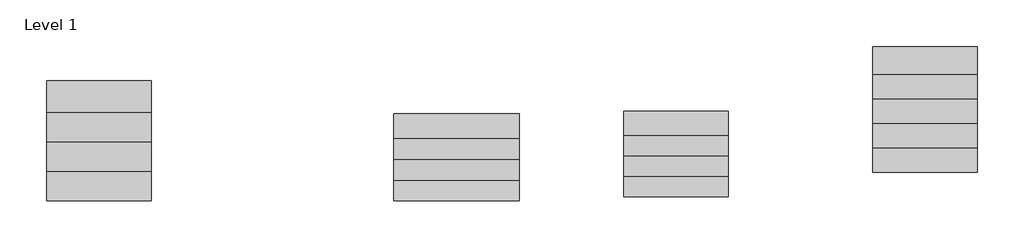
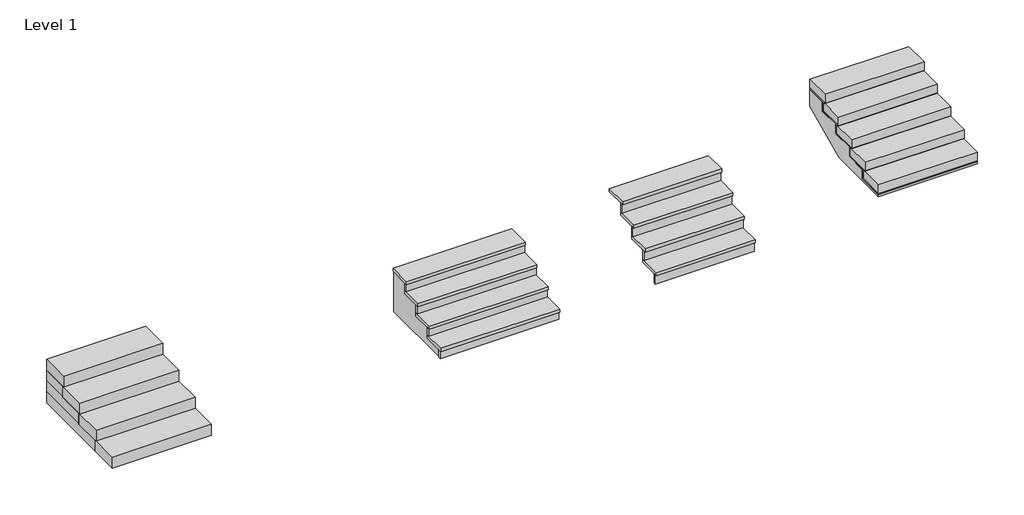
# One storey: 21 proxies, 3 stairs.
"""IFC4 building model written with IfcOpenShell, lengths in millimetres."""

import ifcopenshell
import ifcopenshell.guid

model = None  # the IFC model being written
_history = None  # IfcOwnerHistory: only IFC2X3 demands one
_inside = {}  # id of a spatial element -> (the spatial element, [elements in it])
_under = {}  # id of a project, library or spatial element -> (it, [spatial elements below it])
_declared = {}  # id of a project -> (the project, [libraries it declares])
_typed = {}  # id of a type object -> (the type object, [elements of that type])
_made_of = {}  # id of a material, layer set ... -> (it, [elements and type objects made of it])


def new_model(schema):
    """Start an empty IFC model of exactly this schema.

    Asked for "IFC4X3", IfcOpenShell would pick the latest addendum, in which some entities
    have other attributes; the version numbers below select the first issue.
    IFC2X3 requires an IfcOwnerHistory on every rooted entity: one is made here for all.
    """
    global model, _history
    if schema == "IFC4X3":
        model = ifcopenshell.file(schema_version=(4, 3, 0, 0))
    else:
        model = ifcopenshell.file(schema=schema)
    _inside.clear()
    _under.clear()
    _declared.clear()
    _typed.clear()
    _made_of.clear()
    _history = None
    if model.schema == "IFC2X3":
        org = make("IfcOrganization", Name="unknown")
        user = make(
            "IfcPersonAndOrganization",
            ThePerson=make("IfcPerson", FamilyName="unknown"),
            TheOrganization=org,
        )
        app = make(
            "IfcApplication",
            ApplicationDeveloper=org,
            Version="unknown",
            ApplicationFullName="unknown",
            ApplicationIdentifier="unknown",
        )
        _history = make(
            "IfcOwnerHistory",
            OwningUser=user,
            OwningApplication=app,
            ChangeAction="ADDED",
            CreationDate=0,
        )
    return model


def make(cls, **values):
    """One entity of the class cls with the attributes given. An attribute that is None is left unset."""
    return model.create_entity(
        cls, **{name: value for name, value in values.items() if value is not None}
    )


def rooted(cls, **values):
    """An entity with a GlobalId (a new one), such as an element, a storey or a relation."""
    return make(cls, GlobalId=ifcopenshell.guid.new(), OwnerHistory=_history, **values)


def si_unit(unit_type, name, prefix=None):
    """IfcSIUnit, for example si_unit("LENGTHUNIT", "METRE", prefix="MILLI")."""
    return make("IfcSIUnit", UnitType=unit_type, Prefix=prefix, Name=name)


def assignment(units):
    """IfcUnitAssignment: the units of a project."""
    return None if units is None else make("IfcUnitAssignment", Units=units)


def point(xyz):
    """IfcCartesianPoint."""
    return None if xyz is None else make("IfcCartesianPoint", Coordinates=xyz)


def direction(xyz):
    """IfcDirection."""
    return None if xyz is None else make("IfcDirection", DirectionRatios=xyz)


def frame(location, z_axis=None, x_axis=None):
    """IfcAxis2Placement3D, a coordinate frame: its origin and axes. An axis left out is left unset."""
    return make(
        "IfcAxis2Placement3D",
        Location=point(location),
        Axis=direction(z_axis),
        RefDirection=direction(x_axis),
    )


def origin():
    """The frame at (0, 0, 0) with its axes left unset."""
    return frame((0.0, 0.0, 0.0))


def origin_with_axes():
    """The frame at (0, 0, 0) with the z axis (0, 0, 1) and the x axis (1, 0, 0) written out."""
    return frame((0.0, 0.0, 0.0), z_axis=(0.0, 0.0, 1.0), x_axis=(1.0, 0.0, 0.0))


def place(relative_to, where):
    """IfcLocalPlacement: puts the frame where relative to a parent placement (None: the world)."""
    return make(
        "IfcLocalPlacement", PlacementRelTo=relative_to, RelativePlacement=where
    )


def context(
    kind, dimensions, precision=None, world=None, true_north=None, identifier=None
):
    """IfcGeometricRepresentationContext, for example the 3D "Model" context."""
    return make(
        "IfcGeometricRepresentationContext",
        ContextIdentifier=identifier,
        ContextType=kind,
        CoordinateSpaceDimension=dimensions,
        Precision=precision,
        WorldCoordinateSystem=world,
        TrueNorth=true_north,
    )


def project(units=None, contexts=None):
    """IfcProject with its units and contexts."""
    return rooted(
        "IfcProject",
        Name="project",
        RepresentationContexts=contexts,
        UnitsInContext=assignment(units),
    )


def spatial(cls, under=None, at=None, **own):
    """A site, building, storey or space (cls), placed at a placement, below another one or the project."""
    s = rooted(cls, ObjectPlacement=at, **own)
    if under is not None:
        _under.setdefault(under.id(), (under, []))[1].append(s)
    return s


def polyline(points):
    """IfcPolyline through the points."""
    return make("IfcPolyline", Points=[point(p) for p in points])


def outline(outer, holes=None, kind="AREA"):
    """IfcArbitraryClosedProfileDef: a profile drawn as a closed curve; with holes, ...WithVoids."""
    if holes is None:
        return make("IfcArbitraryClosedProfileDef", ProfileType=kind, OuterCurve=outer)
    return make(
        "IfcArbitraryProfileDefWithVoids",
        ProfileType=kind,
        OuterCurve=outer,
        InnerCurves=holes,
    )


def extrude(swept, where, along, depth):
    """IfcExtrudedAreaSolid: the profile swept, set in the frame where, extruded along a direction by depth."""
    return make(
        "IfcExtrudedAreaSolid",
        SweptArea=swept,
        Position=where,
        ExtrudedDirection=direction(along),
        Depth=depth,
    )


def shape(context_of_items, identifier, shape_type, items):
    """IfcShapeRepresentation: the items that make up one representation, for example the "Body"."""
    return make(
        "IfcShapeRepresentation",
        ContextOfItems=context_of_items,
        RepresentationIdentifier=identifier,
        RepresentationType=shape_type,
        Items=items,
    )


def source(mapping_origin, context_of_items, identifier, shape_type, items):
    """IfcRepresentationMap: a shape defined once, which mapped items show again and again."""
    return make(
        "IfcRepresentationMap",
        MappingOrigin=mapping_origin,
        MappedRepresentation=shape(context_of_items, identifier, shape_type, items),
    )


def transform(
    local_origin,
    x_axis=None,
    y_axis=None,
    z_axis=None,
    scale=None,
    scale2=None,
    scale3=None,
    uniform=True,
):
    """IfcCartesianTransformationOperator3D, or its non-uniform kind. x_axis, y_axis, z_axis: its Axis1, 2, 3."""
    if uniform:
        return make(
            "IfcCartesianTransformationOperator3D",
            Axis1=direction(x_axis),
            Axis2=direction(y_axis),
            LocalOrigin=point(local_origin),
            Scale=scale,
            Axis3=direction(z_axis),
        )
    return make(
        "IfcCartesianTransformationOperator3DnonUniform",
        Axis1=direction(x_axis),
        Axis2=direction(y_axis),
        LocalOrigin=point(local_origin),
        Scale=scale,
        Axis3=direction(z_axis),
        Scale2=scale2,
        Scale3=scale3,
    )


def mapped(mapping_source, mapping_target):
    """IfcMappedItem: shows the shape of a source again, moved by a transform."""
    return make(
        "IfcMappedItem", MappingSource=mapping_source, MappingTarget=mapping_target
    )


def made_of(thing, what):
    """Note that an element or type object is made of a material, layer set ...; save() writes the relation."""
    if what is not None:
        _made_of.setdefault(what.id(), (what, []))[1].append(thing)
    return thing


def element(
    cls,
    number,
    at=None,
    inside=None,
    cuts=None,
    type_object=None,
    material=None,
    context=None,
    identifier="Body",
    shape_type=None,
    held_by="IfcProductDefinitionShape",
    body=None,
    shapes=None,
    **own,
):
    """One element of the class cls, such as IfcWall. Its Tag is "e" and its number.

    at: its placement. inside: the storey or other place that contains it. cuts: it is an
    opening in that element (IfcRelVoidsElement). A single representation is given by context,
    identifier, shape_type and body (its items); several are given by shapes. held_by: the class
    of the entity that holds the representations. save() writes the other relations.
    """
    e = rooted(cls, Tag="e%d" % number, ObjectPlacement=at, **own)
    if body is not None:
        shapes = [shape(context, identifier, shape_type, body)]
    if shapes is not None:
        e.Representation = make(held_by, Representations=shapes)
    if inside is not None:
        _inside.setdefault(inside.id(), (inside, []))[1].append(e)
    if cuts is not None:
        rooted(
            "IfcRelVoidsElement", RelatingBuildingElement=cuts, RelatedOpeningElement=e
        )
    if type_object is not None:
        _typed.setdefault(type_object.id(), (type_object, []))[1].append(e)
    return made_of(e, material)


def aggregate(whole, parts):
    """IfcRelAggregates: a whole, such as a stair, and the parts it consists of."""
    return rooted("IfcRelAggregates", RelatingObject=whole, RelatedObjects=parts)


def save(model, path):
    """Write the relations noted so far, then the file.

    IfcRelAggregates (storeys below a building ...), IfcRelContainedInSpatialStructure (elements
    in a storey), IfcRelDefinesByType, IfcRelAssociatesMaterial and IfcRelDeclares: one each for
    every whole, place, type object, material and project.
    """
    for whole, parts in _under.values():
        aggregate(whole, parts)
    for where, things in _inside.values():
        rooted(
            "IfcRelContainedInSpatialStructure",
            RelatedElements=things,
            RelatingStructure=where,
        )
    for kind, things in _typed.values():
        rooted("IfcRelDefinesByType", RelatedObjects=things, RelatingType=kind)
    for what, things in _made_of.values():
        rooted("IfcRelAssociatesMaterial", RelatedObjects=things, RelatingMaterial=what)
    for by, libraries in _declared.values():
        rooted("IfcRelDeclares", RelatingContext=by, RelatedDefinitions=libraries)
    model.write(path)


def generic_models_f74cbf0a(model_context):
    return source(origin(), model_context, "Body", "SweptSolid", [
        extrude(outline(polyline([(762.0, 457.2), (762.0, 0.0), (-762.0, 0.0), (-762.0, 457.2), (762.0, 457.2)])), origin_with_axes(), (0.0, 0.0, 1.0), 177.8),
    ])


def generic_models_2b514e93(model_context):
    return source(origin(), model_context, "Body", "SweptSolid", [
        extrude(outline(polyline([(762.0, 406.4), (762.0, 0.0), (-762.0, 0.0), (-762.0, 406.4), (762.0, 406.4)])), origin_with_axes(), (0.0, 0.0, 1.0), 139.7),
    ])


def generic_models_f632a9f3(model_context):
    return source(origin(), model_context, "Body", "SweptSolid", [
        extrude(outline(polyline([(914.4, 31.75), (914.4, 0.0), (-914.4, 0.0), (-914.4, 31.75), (914.4, 31.75)])), origin_with_axes(), (0.0, 0.0, 1.0), 127.0),
    ])


def proxy_4_steps_a4b1f485(model_context):
    return source(origin(), model_context, "Body", "SweptSolid", [
        extrude(outline(polyline([(762.0, 952.5), (762.0, 920.75), (-762.0, 920.75), (-762.0, 952.5), (762.0, 952.5)])), frame((0.0, 0.0, 609.6), z_axis=(0.0, 0.0, 1.0), x_axis=(1.0, 0.0, 0.0)), (0.0, 0.0, 1.0), 152.4),
        extrude(outline(polyline([(762.0, 57.15), (762.0, 25.4), (-762.0, 25.4), (-762.0, 57.15), (762.0, 57.15)])), origin_with_axes(), (0.0, 0.0, 1.0), 152.4),
        extrude(outline(polyline([(762.0, 355.6), (762.0, 323.85), (-762.0, 323.85), (-762.0, 355.6), (762.0, 355.6)])), frame((0.0, 0.0, 203.2), z_axis=(0.0, 0.0, 1.0), x_axis=(1.0, 0.0, 0.0)), (0.0, 0.0, 1.0), 152.4),
        extrude(outline(polyline([(762.0, 654.05), (762.0, 622.3), (-762.0, 622.3), (-762.0, 654.05), (762.0, 654.05)])), frame((0.0, 0.0, 406.4), z_axis=(0.0, 0.0, 1.0), x_axis=(1.0, 0.0, 0.0)), (0.0, 0.0, 1.0), 152.4),
        extrude(outline(polyline([(762.0, 1250.95), (762.0, 895.35), (-762.0, 895.35), (-762.0, 1250.95), (762.0, 1250.95)])), frame((0.0, 0.0, 762.0), z_axis=(0.0, 0.0, 1.0), x_axis=(1.0, 0.0, 0.0)), (0.0, 0.0, 1.0), 50.8),
        extrude(outline(polyline([(762.0, 654.05), (762.0, 298.45), (-762.0, 298.45), (-762.0, 654.05), (762.0, 654.05)])), frame((0.0, 0.0, 355.6), z_axis=(0.0, 0.0, 1.0), x_axis=(1.0, 0.0, 0.0)), (0.0, 0.0, 1.0), 50.8),
        extrude(outline(polyline([(762.0, 952.5), (762.0, 596.9), (-762.0, 596.9), (-762.0, 952.5), (762.0, 952.5)])), frame((0.0, 0.0, 558.8), z_axis=(0.0, 0.0, 1.0), x_axis=(1.0, 0.0, 0.0)), (0.0, 0.0, 1.0), 50.8),
        extrude(outline(polyline([(762.0, 355.6), (762.0, 0.0), (-762.0, 0.0), (-762.0, 355.6), (762.0, 355.6)])), frame((0.0, 0.0, 152.4), z_axis=(0.0, 0.0, 1.0), x_axis=(1.0, 0.0, 0.0)), (0.0, 0.0, 1.0), 50.8),
    ])


def step_filler_d653d6ac(model_context):
    return source(origin(), model_context, "Body", "SweptSolid", [
        extrude(outline(polyline([(762.0, 431.8), (762.0, 0.0), (-762.0, 0.0), (-762.0, 431.8), (762.0, 431.8)])), origin_with_axes(), (0.0, 0.0, 1.0), 177.8),
    ])


def step_filler_442d90b5(model_context):
    return source(origin(), model_context, "Body", "SweptSolid", [
        extrude(outline(polyline([(762.0, 863.6), (762.0, 0.0), (-762.0, 0.0), (-762.0, 863.6), (762.0, 863.6)])), origin_with_axes(), (0.0, 0.0, 1.0), 177.8),
    ])


def step_filler_7f7cc54a(model_context):
    return source(origin(), model_context, "Body", "SweptSolid", [
        extrude(outline(polyline([(762.0, 1295.4), (762.0, 0.0), (-762.0, 0.0), (-762.0, 1295.4), (762.0, 1295.4)])), origin_with_axes(), (0.0, 0.0, 1.0), 177.8),
    ])


def proxy_ec30011c(model_context):
    return source(origin(), model_context, "Body", "SweptSolid", [
        extrude(outline(polyline([(914.4, 355.6), (914.4, 0.0), (-914.4, 0.0), (-914.4, 355.6), (914.4, 355.6)])), origin_with_axes(), (0.0, 0.0, 1.0), 50.8),
    ])


def steps_base_steps_base_017aeb64(model_context):
    return source(origin(), model_context, "Body", "SweptSolid", [
        extrude(outline(polyline([(-35192.120405, 0.0), (-35192.120405, 127.0), (-34887.320405, 127.0), (-34887.320405, 304.8), (-34582.520405, 304.8), (-34582.520405, 482.6), (-34277.720405, 482.6), (-34277.720405, 660.4), (-33972.920405, 660.4), (-33972.920405, 0.0), (-35192.120405, 0.0)])), frame((-3702.605314, 0.0, 0.0), z_axis=(1.0, 0.0, 0.0), x_axis=(0.0, 1.0, 0.0)), (0.0, 0.0, 1.0), 1803.4),
    ])


def steps_base1_steps_base_23e74bfb(model_context):
    return source(origin(), model_context, "Body", "SweptSolid", [
        extrude(outline(polyline([(-34397.2944245, -19.05), (-34397.2944245, 133.35), (-34041.6944245, 133.35), (-34041.6944245, 285.75), (-33686.0944245, 285.75), (-33686.0944245, 438.15), (-33330.4944245, 438.15), (-33330.4944245, 590.55), (-32993.9444245, 590.55), (-32993.9444245, 309.1828417), (-33781.4068908, -50.8), (-34822.7444245, -50.8), (-34822.7444245, -19.05), (-34397.2944245, -19.05)])), frame((3262.360487, 0.0, 0.0), z_axis=(1.0, 0.0, 0.0), x_axis=(0.0, 1.0, 0.0)), (0.0, 0.0, 1.0), 1524.0),
    ])


def steps_base2_steps_base_e77488d2(model_context):
    return source(origin(), model_context, "Body", "SweptSolid", [
        extrude(outline(polyline([(-33393.9944245, 609.6), (-32993.9444245, 609.6), (-32993.9444245, 590.55), (-33330.4944245, 590.55), (-33330.4944245, 438.15), (-33686.0944245, 438.15), (-33686.0944245, 285.75), (-34041.6944245, 285.75), (-34041.6944245, 133.35), (-34397.2944245, 133.35), (-34397.2944245, -19.05), (-34822.7444245, -19.05), (-34822.7444245, 0.0), (-34416.3444245, 0.0), (-34416.3444245, 139.7), (-34460.7944245, 139.7), (-34460.7944245, 152.4), (-34060.7444245, 152.4), (-34060.7444245, 292.1), (-34105.1944245, 292.1), (-34105.1944245, 304.8), (-33705.1444245, 304.8), (-33705.1444245, 444.5), (-33749.5944245, 444.5), (-33749.5944245, 457.2), (-33349.5444245, 457.2), (-33349.5444245, 596.9), (-33393.9944245, 596.9), (-33393.9944245, 609.6)])), frame((3262.360487, 0.0, 0.0), z_axis=(1.0, 0.0, 0.0), x_axis=(0.0, 1.0, 0.0)), (0.0, 0.0, 1.0), 1524.0),
    ])


model = new_model("IFC4")

# Units and contexts
model_context = context("Model", 3, world=origin())
ifc_project = project(units=[si_unit("LENGTHUNIT", "METRE", prefix="MILLI")], contexts=[model_context])

# Site, building, storey
site = spatial("IfcSite", under=ifc_project)
building = spatial("IfcBuilding", under=site)
storey = spatial("IfcBuildingStorey", under=building, Name="Level 1", Elevation=0.0)

# Proxies
placement = place(None, origin())
generic_models_shape = generic_models_f74cbf0a(model_context)
element("IfcBuildingElementProxy", 1, Name="Generic Models", at=placement, inside=storey, context=model_context, shape_type="MappedRepresentation", body=[
    mapped(generic_models_shape, transform((-8007.905314, -35242.920405, 0.0), x_axis=(1.0, 0.0, 0.0), y_axis=(0.0, 1.0, 0.0), z_axis=(0.0, 0.0, 1.0))),
])
element("IfcBuildingElementProxy", 2, Name="Generic Models", at=placement, inside=storey, context=model_context, shape_type="MappedRepresentation", body=[
    mapped(generic_models_shape, transform((-8007.905314, -34811.120405, 177.8), x_axis=(1.0, 0.0, 0.0), y_axis=(0.0, 1.0, 0.0), z_axis=(0.0, 0.0, 1.0))),
])
element("IfcBuildingElementProxy", 3, Name="Generic Models", at=placement, inside=storey, context=model_context, shape_type="MappedRepresentation", body=[
    mapped(generic_models_shape, transform((-8007.905314, -34379.320405, 355.6), x_axis=(1.0, 0.0, 0.0), y_axis=(0.0, 1.0, 0.0), z_axis=(0.0, 0.0, 1.0))),
])
element("IfcBuildingElementProxy", 4, Name="Generic Models", at=placement, inside=storey, context=model_context, shape_type="MappedRepresentation", body=[
    mapped(generic_models_shape, transform((-8007.905314, -33947.520405, 533.4), x_axis=(1.0, 0.0, 0.0), y_axis=(0.0, 1.0, 0.0), z_axis=(0.0, 0.0, 1.0))),
])
generic_models_2_shape = generic_models_2b514e93(model_context)
element("IfcBuildingElementProxy", 5, Name="Generic Models", at=placement, inside=storey, context=model_context, shape_type="MappedRepresentation", body=[
    mapped(generic_models_2_shape, transform((4024.360487, -34822.7444245, 0.0), x_axis=(1.0, 0.0, 0.0), y_axis=(0.0, 1.0, 0.0), z_axis=(0.0, 0.0, 1.0))),
])
element("IfcBuildingElementProxy", 6, Name="Generic Models", at=placement, inside=storey, context=model_context, shape_type="MappedRepresentation", body=[
    mapped(generic_models_2_shape, transform((4024.360487, -34467.1444245, 152.4), x_axis=(1.0, 0.0, 0.0), y_axis=(0.0, 1.0, 0.0), z_axis=(0.0, 0.0, 1.0))),
])
element("IfcBuildingElementProxy", 7, Name="Generic Models", at=placement, inside=storey, context=model_context, shape_type="MappedRepresentation", body=[
    mapped(generic_models_2_shape, transform((4024.360487, -34111.5444245, 304.8), x_axis=(1.0, 0.0, 0.0), y_axis=(0.0, 1.0, 0.0), z_axis=(0.0, 0.0, 1.0))),
])
element("IfcBuildingElementProxy", 8, Name="Generic Models", at=placement, inside=storey, context=model_context, shape_type="MappedRepresentation", body=[
    mapped(generic_models_2_shape, transform((4024.360487, -33755.9444245, 457.2), x_axis=(1.0, 0.0, 0.0), y_axis=(0.0, 1.0, 0.0), z_axis=(0.0, 0.0, 1.0))),
])
element("IfcBuildingElementProxy", 9, Name="Generic Models", at=placement, inside=storey, context=model_context, shape_type="MappedRepresentation", body=[
    mapped(generic_models_2_shape, transform((4024.360487, -33400.3444245, 609.6), x_axis=(1.0, 0.0, 0.0), y_axis=(0.0, 1.0, 0.0), z_axis=(0.0, 0.0, 1.0))),
])
generic_models_3_shape = generic_models_f632a9f3(model_context)
element("IfcBuildingElementProxy", 10, Name="Generic Models", at=placement, inside=storey, context=model_context, shape_type="MappedRepresentation", body=[
    mapped(generic_models_3_shape, transform((-2800.905314, -35223.870405, 0.0), x_axis=(1.0, 0.0, 0.0), y_axis=(0.0, 1.0, 0.0), z_axis=(0.0, 0.0, 1.0))),
])
element("IfcBuildingElementProxy", 11, Name="Generic Models", at=placement, inside=storey, context=model_context, shape_type="MappedRepresentation", body=[
    mapped(generic_models_3_shape, transform((-2800.905314, -34919.070405, 177.8), x_axis=(1.0, 0.0, 0.0), y_axis=(0.0, 1.0, 0.0), z_axis=(0.0, 0.0, 1.0))),
])
element("IfcBuildingElementProxy", 12, Name="Generic Models", at=placement, inside=storey, context=model_context, shape_type="MappedRepresentation", body=[
    mapped(generic_models_3_shape, transform((-2800.905314, -34614.270405, 355.6), x_axis=(1.0, 0.0, 0.0), y_axis=(0.0, 1.0, 0.0), z_axis=(0.0, 0.0, 1.0))),
])
element("IfcBuildingElementProxy", 13, Name="Generic Models", at=placement, inside=storey, context=model_context, shape_type="MappedRepresentation", body=[
    mapped(generic_models_3_shape, transform((-2800.905314, -34309.470405, 533.4), x_axis=(1.0, 0.0, 0.0), y_axis=(0.0, 1.0, 0.0), z_axis=(0.0, 0.0, 1.0))),
])
proxy_4_steps_shape = proxy_4_steps_a4b1f485(model_context)
element("IfcBuildingElementProxy", 14, Name="4 Steps", ObjectType="4 Steps", at=placement, inside=storey, context=model_context, shape_type="MappedRepresentation", body=[
    mapped(proxy_4_steps_shape, transform((397.2716286, -35184.3921387, 0.0), x_axis=(1.0, 0.0, 0.0), y_axis=(0.0, 1.0, 0.0), z_axis=(0.0, 0.0, 1.0))),
])
step_filler_shape = step_filler_d653d6ac(model_context)
element("IfcBuildingElementProxy", 15, Name="Step Filler", ObjectType="Step Filler", at=placement, inside=storey, context=model_context, shape_type="MappedRepresentation", body=[
    mapped(step_filler_shape, transform((-8007.905314, -33922.120405, 355.6), x_axis=(1.0, 0.0, 0.0), y_axis=(0.0, 1.0, 0.0), z_axis=(0.0, 0.0, 1.0))),
])
step_filler_2_shape = step_filler_442d90b5(model_context)
element("IfcBuildingElementProxy", 16, Name="Step Filler", ObjectType="Step Filler", at=placement, inside=storey, context=model_context, shape_type="MappedRepresentation", body=[
    mapped(step_filler_2_shape, transform((-8007.905314, -34353.920405, 177.8), x_axis=(1.0, 0.0, 0.0), y_axis=(0.0, 1.0, 0.0), z_axis=(0.0, 0.0, 1.0))),
])
step_filler_3_shape = step_filler_7f7cc54a(model_context)
element("IfcBuildingElementProxy", 17, Name="Step Filler", ObjectType="Step Filler", at=placement, inside=storey, context=model_context, shape_type="MappedRepresentation", body=[
    mapped(step_filler_3_shape, transform((-8007.905314, -34785.720405, 0.0), x_axis=(1.0, 0.0, 0.0), y_axis=(0.0, 1.0, 0.0), z_axis=(0.0, 0.0, 1.0))),
])
proxy_shape = proxy_ec30011c(model_context)
element("IfcBuildingElementProxy", 18, Name="Stone Tread - 72\" Wide", ObjectType="Stone Tread - 72\" Wide", at=placement, inside=storey, context=model_context, shape_type="MappedRepresentation", body=[
    mapped(proxy_shape, transform((-2800.905314, -35242.920405, 127.0), x_axis=(1.0, 0.0, 0.0), y_axis=(0.0, 1.0, 0.0), z_axis=(0.0, 0.0, 1.0))),
])
element("IfcBuildingElementProxy", 19, Name="Stone Tread - 72\" Wide", ObjectType="Stone Tread - 72\" Wide", at=placement, inside=storey, context=model_context, shape_type="MappedRepresentation", body=[
    mapped(proxy_shape, transform((-2800.905314, -34938.120405, 304.8), x_axis=(1.0, 0.0, 0.0), y_axis=(0.0, 1.0, 0.0), z_axis=(0.0, 0.0, 1.0))),
])
element("IfcBuildingElementProxy", 20, Name="Stone Tread - 72\" Wide", ObjectType="Stone Tread - 72\" Wide", at=placement, inside=storey, context=model_context, shape_type="MappedRepresentation", body=[
    mapped(proxy_shape, transform((-2800.905314, -34633.320405, 482.6), x_axis=(1.0, 0.0, 0.0), y_axis=(0.0, 1.0, 0.0), z_axis=(0.0, 0.0, 1.0))),
])
element("IfcBuildingElementProxy", 21, Name="Stone Tread - 72\" Wide", ObjectType="Stone Tread - 72\" Wide", at=placement, inside=storey, context=model_context, shape_type="MappedRepresentation", body=[
    mapped(proxy_shape, transform((-2800.905314, -34328.520405, 660.4), x_axis=(1.0, 0.0, 0.0), y_axis=(0.0, 1.0, 0.0), z_axis=(0.0, 0.0, 1.0))),
])

# Stairs
steps_base_steps_base_shape = steps_base_steps_base_017aeb64(model_context)
element("IfcStair", 22, ObjectType="Steps Base : Steps Base", at=placement, inside=storey, context=model_context, shape_type="MappedRepresentation", body=[
    mapped(steps_base_steps_base_shape, transform((0.0, 0.0, 0.0), x_axis=(1.0, 0.0, 0.0), y_axis=(0.0, 1.0, 0.0), z_axis=(0.0, 0.0, 1.0))),
])
steps_base1_steps_base_shape = steps_base1_steps_base_23e74bfb(model_context)
element("IfcStair", 23, ObjectType="Steps Base1 : Steps Base", at=placement, inside=storey, context=model_context, shape_type="MappedRepresentation", body=[
    mapped(steps_base1_steps_base_shape, transform((0.0, 0.0, 0.0), x_axis=(1.0, 0.0, 0.0), y_axis=(0.0, 1.0, 0.0), z_axis=(0.0, 0.0, 1.0))),
])
steps_base2_steps_base_shape = steps_base2_steps_base_e77488d2(model_context)
element("IfcStair", 24, ObjectType="Steps Base2 : Steps Base", at=placement, inside=storey, context=model_context, shape_type="MappedRepresentation", body=[
    mapped(steps_base2_steps_base_shape, transform((0.0, 0.0, 0.0), x_axis=(1.0, 0.0, 0.0), y_axis=(0.0, 1.0, 0.0), z_axis=(0.0, 0.0, 1.0))),
])

save(model, "model.ifc")
